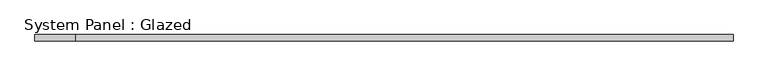
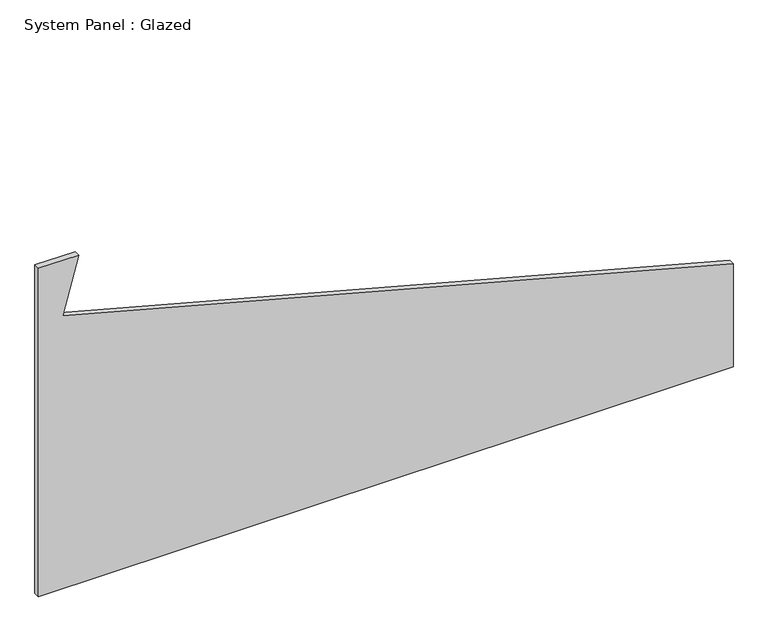
"""IFC4 building model written with IfcOpenShell, lengths in millimetres: plate geometry, System Panel : Glazed."""

from ifc_helpers import new_model, si_unit, frame, origin, place, context, project, spatial, polyline, outline, extrude, source, transform, mapped, element, save


def system_panel_glazed_bd79f000(model_context):
    return source(origin(), model_context, "Body", "SweptSolid", [
        extrude(outline(polyline([(0.0, -1425.0), (0.0, 1425.0), (446.8215877, 1425.0), (1183.5185434, -1324.3904687), (1425.0, -1259.6857074), (1425.0, -1425.0), (0.0, -1425.0)])), frame((0.0, -2.5, 0.0), z_axis=(0.0, 1.0, 0.0), x_axis=(0.0, 0.0, 1.0)), (0.0, 0.0, 1.0), 25.0),
    ])


if __name__ == "__main__":
    model = new_model("IFC4")
    model_context = context("Model", 3, world=origin())
    ifc_project = project(units=[si_unit("LENGTHUNIT", "METRE", prefix="MILLI")], contexts=[model_context])
    site = spatial("IfcSite", under=ifc_project)
    building = spatial("IfcBuilding", under=site)
    placement = place(None, origin())
    system_panel_glazed_shape = system_panel_glazed_bd79f000(model_context)
    element("IfcPlate", 1, ObjectType="System Panel : Glazed", at=placement, inside=building, context=model_context, shape_type="MappedRepresentation", body=[
        mapped(system_panel_glazed_shape, transform((0.0, 0.0, 0.0), x_axis=(1.0, 0.0, 0.0), y_axis=(0.0, 1.0, 0.0), z_axis=(0.0, 0.0, 1.0))),
    ])
    save(model, "model.ifc")
